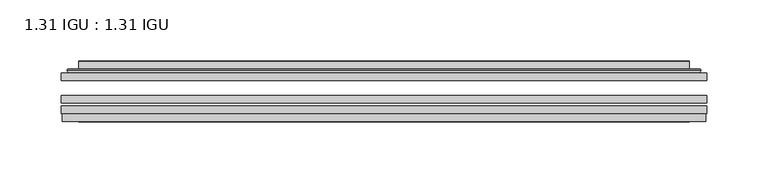
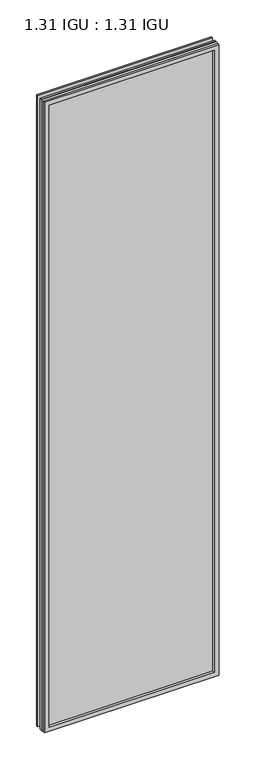
"""IFC4 building model written with IfcOpenShell, lengths in millimetres: plate geometry, 1.31 IGU : 1.31 IGU."""

from ifc_helpers import new_model, si_unit, frame, origin, place, context, project, spatial, polyline, ellipse_curve, outline, extrude, faceted_brep, source, transform, mapped, element, save
from ifc_brep_helpers import plane_surface, cylinder_surface, advanced_brep


def plate_1_31_igu_1_31_igu_330355e1(model_context):
    return source(origin(), model_context, "Body", "SolidModel", [
        extrude(outline(polyline([(263.539175, -63.59525), (263.539175, -69.94525), (-263.525, -69.94525), (-263.525, -63.59525), (263.539175, -63.59525)])), frame((0.0, 0.0, -14.2875), z_axis=(0.0, 0.0, 1.0), x_axis=(1.0, 0.0, 0.0)), (0.0, 0.0, 1.0), 2009.8015278),
        extrude(outline(polyline([(-263.525, -78.58125), (-263.525, -72.230745), (263.539175, -72.230745), (263.539175, -78.58125), (-263.525, -78.58125)])), frame((0.0, 0.0, -14.2875), z_axis=(0.0, 0.0, 1.0), x_axis=(1.0, 0.0, 0.0)), (0.0, 0.0, 1.0), 2009.8015278),
        extrude(outline(polyline([(263.539175, -45.25645), (263.539175, -51.60645), (-263.525, -51.60645), (-263.525, -45.25645), (263.539175, -45.25645)])), frame((0.0, 0.0, -14.2875), z_axis=(0.0, 0.0, 1.0), x_axis=(1.0, 0.0, 0.0)), (0.0, 0.0, 1.0), 2009.8015278),
        faceted_brep([(-262.8248142, -84.93125, 1994.8100441), (-262.8248142, -78.58125, 1994.8100441), (-262.8248142, -78.58125, -13.5873142), (-262.8248142, -84.93125, -13.5873142), (262.8248142, -78.58125, -13.5873142), (262.8248142, -84.93125, -13.5873142), (262.8248142, -78.58125, 1994.8100441), (262.8248142, -84.93125, 1994.8100441), (-248.3397559, -78.58125, 0.8977441), (248.3397559, -78.58125, 0.8977441), (248.3397559, -78.58125, 1980.3249858), (-248.3397559, -78.58125, 1980.3249858), (-249.2321902, -84.93125, 1981.2174201), (249.2321902, -84.93125, 1981.2174201), (249.2321902, -84.93125, 0.0053098), (-249.2321902, -84.93125, 0.0053098)], [[[0, 1, 2, 3]], [[3, 2, 4, 5]], [[5, 4, 6, 7]], [[1, 6, 4, 2], [8, 9, 10, 11]], [[7, 6, 1, 0]], [[3, 5, 7, 0], [12, 13, 14, 15]], [[11, 12, 15, 8]], [[8, 15, 14, 9]], [[9, 14, 13, 10]], [[10, 13, 12, 11]]]),
        advanced_brep(
        [(-256.283719, -45.25645, 1988.2689489), (-258.6379244, -43.2667833, 1990.6231543), (-258.6379244, -43.2667833, -9.4004244), (-256.283719, -45.25645, -7.046219), (-247.2093939, -41.416413, 1979.1946238), (-242.2745621, -45.25645, 1974.2597919), (-242.2745621, -45.25645, 6.9629379), (-247.2093939, -41.416413, 2.0281061), (-248.2414217, -36.0191819, 1980.2266515), (-248.2414217, -36.0191819, 0.9960783), (-249.2320784, -35.6202069, 1981.2173083), (-249.2320784, -35.6202069, 0.0054216), (-249.2320784, -42.08145, 1981.2173083), (-249.2320784, -42.08145, 0.0054216), (-257.6361349, -42.08145, 1989.6213648), (-257.6361349, -42.08145, -8.3986349), (258.6379244, -43.2667833, -9.4004244), (256.283719, -45.25645, -7.046219), (242.2745621, -45.25645, 6.9629379), (247.2093939, -41.416413, 2.0281061), (248.2414217, -36.0191819, 0.9960783), (249.2320784, -35.6202069, 0.0054216), (249.2320784, -42.08145, 0.0054216), (257.6361349, -42.08145, -8.3986349), (258.6379244, -43.2667833, 1990.6231543), (256.283719, -45.25645, 1988.2689489), (242.2745621, -45.25645, 1974.2597919), (247.2093939, -41.416413, 1979.1946238), (248.2414217, -36.0191819, 1980.2266515), (249.2320784, -35.6202069, 1981.2173083), (249.2320784, -42.08145, 1981.2173083), (257.6361349, -42.08145, 1989.6213648)],
        [
            (0, 1, ellipse_curve(frame((-256.283719, -42.86885, 1988.2689489), z_axis=(-0.7071067811865475, 0.0, -0.7071067811865475), x_axis=(-0.7071067811865474, 0.0, 0.7071067811865476)), 3.3765763, 2.3876)),
            (1, 2),
            (2, 3, ellipse_curve(frame((-256.283719, -42.86885, -7.046219), z_axis=(-0.7071067811865475, 0.0, 0.7071067811865475), x_axis=(0.7071067811865474, 0.0, 0.7071067811865476)), 3.3765763, 2.3876)),
            (3, 0),
            (4, 5),
            (5, 6),
            (6, 7),
            (7, 4),
            (8, 4),
            (7, 9),
            (9, 8),
            (10, 8, ellipse_curve(frame((-248.8651219, -36.1384423, 1980.8503517), z_axis=(-0.7071067811865475, 0.0, -0.7071067811865475), x_axis=(-0.7071067811865474, 0.0, 0.7071067811865476)), 0.8980256, 0.635)),
            (9, 11, ellipse_curve(frame((-248.8651219, -36.1384423, 0.3723781), z_axis=(-0.7071067811865475, 0.0, 0.7071067811865475), x_axis=(0.7071067811865474, 0.0, 0.7071067811865476)), 0.8980256, 0.635)),
            (11, 10),
            (12, 10),
            (11, 13),
            (13, 12),
            (1, 14, ellipse_curve(frame((-257.6361349, -43.09745, 1989.6213648), z_axis=(-0.7071067811865475, 0.0, -0.7071067811865475), x_axis=(-0.7071067811865474, 0.0, 0.7071067811865476)), 1.436841, 1.016)),
            (14, 15),
            (15, 2, ellipse_curve(frame((-257.6361349, -43.09745, -8.3986349), z_axis=(-0.7071067811865475, 0.0, 0.7071067811865475), x_axis=(0.7071067811865474, 0.0, 0.7071067811865476)), 1.436841, 1.016)),
            (2, 16),
            (16, 17, ellipse_curve(frame((256.283719, -42.86885, -7.046219), z_axis=(-0.7071067811865475, 0.0, -0.7071067811865475), x_axis=(-0.7071067811865476, 0.0, 0.7071067811865474)), 3.3765763, 2.3876)),
            (17, 3),
            (6, 18),
            (18, 19),
            (19, 7),
            (19, 20),
            (20, 9),
            (20, 21, ellipse_curve(frame((248.8651219, -36.1384423, 0.3723781), z_axis=(-0.7071067811865475, 0.0, -0.7071067811865475), x_axis=(-0.7071067811865476, 0.0, 0.7071067811865474)), 0.8980256, 0.635)),
            (21, 11),
            (21, 22),
            (22, 13),
            (15, 23),
            (23, 16, ellipse_curve(frame((257.6361349, -43.09745, -8.3986349), z_axis=(-0.7071067811865475, 0.0, -0.7071067811865475), x_axis=(-0.7071067811865476, 0.0, 0.7071067811865474)), 1.436841, 1.016)),
            (16, 24),
            (24, 25, ellipse_curve(frame((256.283719, -42.86885, 1988.2689489), z_axis=(0.7071067811865475, 0.0, -0.7071067811865475), x_axis=(-0.7071067811865474, 0.0, -0.7071067811865476)), 3.3765763, 2.3876)),
            (25, 17),
            (18, 26),
            (26, 27),
            (27, 19),
            (27, 28),
            (28, 20),
            (28, 29, ellipse_curve(frame((248.8651219, -36.1384423, 1980.8503517), z_axis=(0.7071067811865475, 0.0, -0.7071067811865475), x_axis=(-0.7071067811865474, 0.0, -0.7071067811865476)), 0.8980256, 0.635)),
            (29, 21),
            (29, 30),
            (30, 22),
            (23, 31),
            (31, 24, ellipse_curve(frame((257.6361349, -43.09745, 1989.6213648), z_axis=(0.7071067811865475, 0.0, -0.7071067811865475), x_axis=(-0.7071067811865474, 0.0, -0.7071067811865476)), 1.436841, 1.016)),
            (24, 1),
            (0, 25),
            (5, 26),
            (4, 27),
            (8, 28),
            (10, 29),
            (12, 30),
            (14, 31),
        ],
        [
            cylinder_surface(frame((-256.283719, -42.86885, 2012.9727299), z_axis=(0.0, 0.0, 1.0), x_axis=(-1.0, 0.0, 0.0)), 2.3876),
            plane_surface(frame((-242.2745621, -45.25645, 1974.2597919), z_axis=(0.6141233906514794, 0.7892100234124821, 0.0), x_axis=(0.0, 0.0, -1.0))),
            plane_surface(frame((-247.2093939, -41.416413, 1979.1946238), z_axis=(0.9822050625507729, 0.1878116479338607, 0.0), x_axis=(0.0, 0.0, -1.0))),
            cylinder_surface(frame((-248.8651219, -36.1384423, 2012.9727299), z_axis=(0.0, 0.0, 1.0), x_axis=(-1.0, 0.0, 0.0)), 0.635),
            plane_surface(frame((-249.2320784, -35.6202069, 1981.2173083), z_axis=(-1.0, 0.0, 0.0), x_axis=(0.0, 0.0, -1.0))),
            cylinder_surface(frame((-257.6361349, -43.09745, 2012.9727299), z_axis=(0.0, 0.0, 1.0), x_axis=(-1.0, 0.0, 0.0)), 1.016),
            cylinder_surface(frame((-280.9875, -42.86885, -7.046219), z_axis=(-1.0, 0.0, 0.0), x_axis=(0.0, 0.0, -1.0)), 2.3876),
            plane_surface(frame((-242.2745621, -45.25645, 6.9629379), z_axis=(0.0, 0.7892100234124841, 0.6141233906514768), x_axis=(1.0, 0.0, 0.0))),
            plane_surface(frame((-247.2093939, -41.416413, 2.0281061), z_axis=(0.0, 0.1878116479338639, 0.9822050625507722), x_axis=(1.0, 0.0, 0.0))),
            cylinder_surface(frame((-280.9875, -36.1384423, 0.3723781), z_axis=(-1.0, 0.0, 0.0), x_axis=(0.0, 0.0, -1.0)), 0.635),
            plane_surface(frame((-249.2320784, -35.6202069, 0.0054216), z_axis=(0.0, 0.0, -1.0), x_axis=(1.0, 0.0, 0.0))),
            cylinder_surface(frame((-280.9875, -43.09745, -8.3986349), z_axis=(-1.0, 0.0, 0.0), x_axis=(0.0, 0.0, -1.0)), 1.016),
            cylinder_surface(frame((256.283719, -42.86885, -31.75), z_axis=(0.0, 0.0, -1.0), x_axis=(1.0, 0.0, 0.0)), 2.3876),
            plane_surface(frame((242.2745621, -45.25645, 6.9629379), z_axis=(-0.6141233906514743, 0.7892100234124861, 0.0), x_axis=(0.0, 0.0, 1.0))),
            plane_surface(frame((247.2093939, -41.416413, 2.0281061), z_axis=(-0.9822050625507716, 0.1878116479338671, 0.0), x_axis=(0.0, 0.0, 1.0))),
            cylinder_surface(frame((248.8651219, -36.1384423, -31.75), z_axis=(0.0, 0.0, -1.0), x_axis=(1.0, 0.0, 0.0)), 0.635),
            plane_surface(frame((249.2320784, -35.6202069, 0.0054216), z_axis=(1.0, 0.0, 0.0), x_axis=(0.0, 0.0, 1.0))),
            cylinder_surface(frame((257.6361349, -43.09745, -31.75), z_axis=(0.0, 0.0, -1.0), x_axis=(1.0, 0.0, 0.0)), 1.016),
            cylinder_surface(frame((280.9875, -42.86885, 1988.2689489), z_axis=(1.0, 0.0, 0.0), x_axis=(0.0, 0.0, 1.0)), 2.3876),
            plane_surface(frame((256.283719, -45.25645, 1988.2689489), z_axis=(0.0, -1.0, 0.0), x_axis=(-1.0, 0.0, 0.0))),
            plane_surface(frame((242.2745621, -45.25645, 1974.2597919), z_axis=(0.0, 0.7892100234124841, -0.6141233906514768), x_axis=(-1.0, 0.0, 0.0))),
            plane_surface(frame((247.2093939, -41.416413, 1979.1946238), z_axis=(0.0, 0.1878116479338639, -0.9822050625507722), x_axis=(-1.0, 0.0, 0.0))),
            cylinder_surface(frame((280.9875, -36.1384423, 1980.8503517), z_axis=(1.0, 0.0, 0.0), x_axis=(0.0, 0.0, 1.0)), 0.635),
            plane_surface(frame((249.2320784, -35.6202069, 1981.2173083), z_axis=(0.0, 0.0, 1.0), x_axis=(-1.0, 0.0, 0.0))),
            plane_surface(frame((249.2320784, -42.08145, 1981.2173083), z_axis=(0.0, 1.0, 0.0), x_axis=(-1.0, 0.0, 0.0))),
            cylinder_surface(frame((280.9875, -43.09745, 1989.6213648), z_axis=(1.0, 0.0, 0.0), x_axis=(0.0, 0.0, 1.0)), 1.016),
        ],
        [
            (0, [[1, 2, 3, 4]]),
            (1, [[5, 6, 7, 8]]),
            (2, [[9, -8, 10, 11]]),
            (3, [[12, -11, 13, 14]]),
            (4, [[15, -14, 16, 17]]),
            (5, [[18, 19, 20, -2]]),
            (6, [[-3, 21, 22, 23]]),
            (7, [[-7, 24, 25, 26]]),
            (8, [[-10, -26, 27, 28]]),
            (9, [[-13, -28, 29, 30]]),
            (10, [[-16, -30, 31, 32]]),
            (11, [[-20, 33, 34, -21]]),
            (12, [[-22, 35, 36, 37]]),
            (13, [[-25, 38, 39, 40]]),
            (14, [[-27, -40, 41, 42]]),
            (15, [[-29, -42, 43, 44]]),
            (16, [[-31, -44, 45, 46]]),
            (17, [[-34, 47, 48, -35]]),
            (18, [[-36, 49, -1, 50]]),
            (19, [[-23, -37, -50, -4], [51, -38, -24, -6]]),
            (20, [[-39, -51, -5, 52]]),
            (21, [[-41, -52, -9, 53]]),
            (22, [[-43, -53, -12, 54]]),
            (23, [[-45, -54, -15, 55]]),
            (24, [[56, -47, -33, -19], [-32, -46, -55, -17]]),
            (25, [[-48, -56, -18, -49]]),
        ],
    ),
    ])


if __name__ == "__main__":
    model = new_model("IFC4")
    model_context = context("Model", 3, world=origin())
    ifc_project = project(units=[si_unit("LENGTHUNIT", "METRE", prefix="MILLI")], contexts=[model_context])
    site = spatial("IfcSite", under=ifc_project)
    building = spatial("IfcBuilding", under=site)
    placement = place(None, origin())
    plate_1_31_igu_1_31_igu_shape = plate_1_31_igu_1_31_igu_330355e1(model_context)
    element("IfcPlate", 1, ObjectType="1.31 IGU : 1.31 IGU", at=placement, inside=building, context=model_context, shape_type="MappedRepresentation", body=[
        mapped(plate_1_31_igu_1_31_igu_shape, transform((0.0, 0.0, 0.0), x_axis=(1.0, 0.0, 0.0), y_axis=(0.0, 1.0, 0.0), z_axis=(0.0, 0.0, 1.0))),
    ])
    save(model, "model.ifc")
